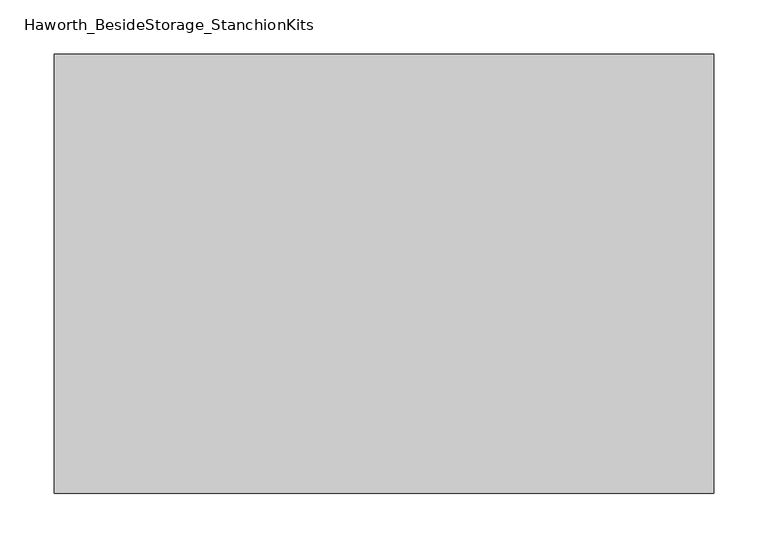
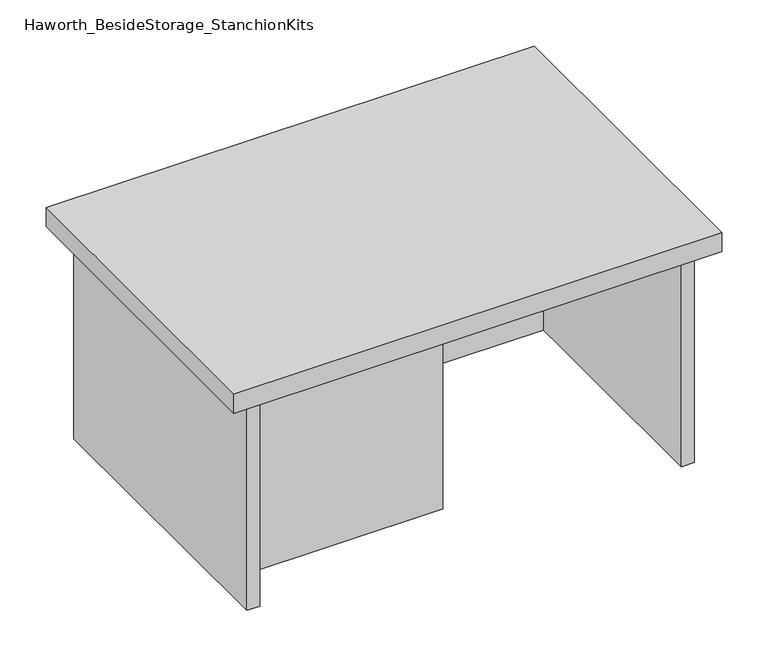
"""IFC4 building model written with IfcOpenShell, lengths in millimetres: furniture geometry, Haworth_BesideStorage_StanchionKits."""

from ifc_helpers import new_model, si_unit, frame, origin, place, context, project, spatial, polyline, outline, extrude, source, transform, mapped, element, save


def haworth_besidestorage_stanchionkits_ea26be28(model_context):
    return source(origin(), model_context, "Body", "SweptSolid", [
        extrude(outline(polyline([(466.725, 0.0), (466.725, -406.4), (-142.875, -406.4), (-142.875, 0.0), (466.725, 0.0)])), frame((0.0, 0.0, 711.2), z_axis=(0.0, 0.0, 1.0), x_axis=(1.0, 0.0, 0.0)), (0.0, 0.0, 1.0), 25.4),
        extrude(outline(polyline([(161.925, -76.2), (425.45, -76.2), (425.45, -92.075), (161.925, -92.075), (161.925, -76.2)])), frame((0.0, 0.0, 431.8), z_axis=(0.0, 0.0, 1.0), x_axis=(1.0, 0.0, 0.0)), (0.0, 0.0, 1.0), 279.4),
        extrude(outline(polyline([(161.925, -314.325), (161.925, -330.2), (-101.6, -330.2), (-101.6, -314.325), (161.925, -314.325)])), frame((0.0, 0.0, 431.8), z_axis=(0.0, 0.0, 1.0), x_axis=(1.0, 0.0, 0.0)), (0.0, 0.0, 1.0), 279.4),
        extrude(outline(polyline([(441.325, -390.525), (425.45, -390.525), (425.45, -15.875), (441.325, -15.875), (441.325, -390.525)])), frame((0.0, 0.0, 431.8), z_axis=(0.0, 0.0, 1.0), x_axis=(1.0, 0.0, 0.0)), (0.0, 0.0, 1.0), 279.4),
        extrude(outline(polyline([(-101.6, -390.525), (-117.475, -390.525), (-117.475, -15.875), (-101.6, -15.875), (-101.6, -390.525)])), frame((0.0, 0.0, 431.8), z_axis=(0.0, 0.0, 1.0), x_axis=(1.0, 0.0, 0.0)), (0.0, 0.0, 1.0), 279.4),
    ])


if __name__ == "__main__":
    model = new_model("IFC4")
    model_context = context("Model", 3, world=origin())
    ifc_project = project(units=[si_unit("LENGTHUNIT", "METRE", prefix="MILLI")], contexts=[model_context])
    site = spatial("IfcSite", under=ifc_project)
    building = spatial("IfcBuilding", under=site)
    placement = place(None, origin())
    haworth_besidestorage_stanchionkits_shape = haworth_besidestorage_stanchionkits_ea26be28(model_context)
    element("IfcFurniture", 1, ObjectType="Haworth_BesideStorage_StanchionKits", at=placement, inside=building, context=model_context, shape_type="MappedRepresentation", body=[
        mapped(haworth_besidestorage_stanchionkits_shape, transform((0.0, 0.0, 0.0), x_axis=(1.0, 0.0, 0.0), y_axis=(0.0, 1.0, 0.0), z_axis=(0.0, 0.0, 1.0))),
    ])
    save(model, "model.ifc")
